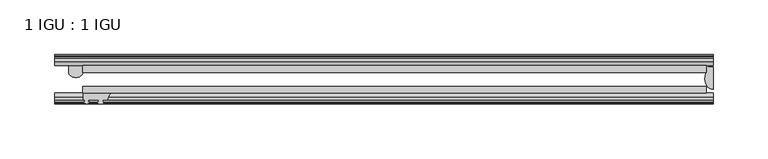
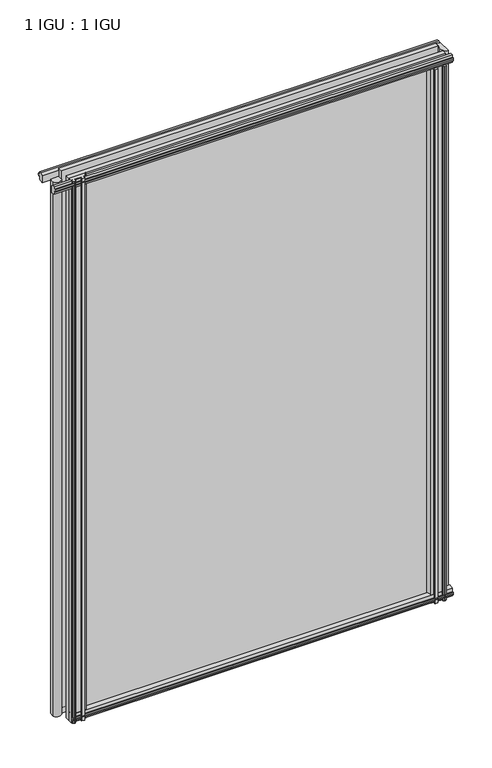
"""IFC4 building model written with IfcOpenShell, lengths in millimetres: plate geometry, 1 IGU : 1 IGU."""

from ifc_helpers import new_model, si_unit, point, frame, frame_2d, origin, place, context, project, spatial, polyline, circle_curve, ellipse_curve, trimmed, segment, composite_curve, outline, extrude, source, transform, mapped, element, save
from ifc_brep_helpers import plane_surface, cylinder_surface, revolved_surface, extruded_surface, advanced_brep


def plate_1_igu_1_igu_cd531bcb(model_context):
    return source(origin(), model_context, "Body", "SolidModel", [
        extrude(outline(polyline([(-253.903576, -38.6468937), (314.3277947, -38.6468937), (314.3277947, -44.9460938), (-253.903576, -44.9460938), (-253.903576, -38.6468937)])), frame((0.0, 0.0, -12.7), z_axis=(0.0, 0.0, 1.0), x_axis=(1.0, 0.0, 0.0)), (0.0, 0.0, 1.0), 863.5872996),
        extrude(outline(polyline([(-253.903576, -19.5460937), (314.3277947, -19.5460937), (314.3277947, -25.8960938), (-253.903576, -25.8960938), (-253.903576, -19.5460937)])), frame((0.0, 0.0, -12.7), z_axis=(0.0, 0.0, 1.0), x_axis=(1.0, 0.0, 0.0)), (0.0, 0.0, 1.0), 863.5872996),
        advanced_brep(
        [(-266.5794104, -19.5460937, 838.1872996), (-266.5794104, -25.8452937, 838.1872996), (-253.8794104, -25.8452937, 838.1872996), (-253.8794104, -19.5460937, 838.1872996), (-266.5794104, -19.5460937, -12.7), (-253.8794104, -19.5460937, -12.7), (-253.8794104, -25.8452937, -12.7), (-266.5794104, -25.8452937, -12.7)],
        [
            (0, 1),
            (1, 2, ellipse_curve(frame((-260.2294104, -25.8452937, 838.1872996), z_axis=(0.0, 0.0, 1.0), x_axis=(1.0, 0.0, 0.0)), 6.35, 4.7800819)),
            (2, 3),
            (3, 0, circle_curve(frame((-260.2294104, 20.9435078, 838.1872996), z_axis=(0.0, 0.0, -1.0), x_axis=(0.0, 1.0, 0.0)), 40.9845134)),
            (4, 5, circle_curve(frame((-260.2294104, 20.9435078, -12.7), z_axis=(0.0, 0.0, 1.0), x_axis=(0.0, 1.0, 0.0)), 40.9845134)),
            (5, 6),
            (6, 7, ellipse_curve(frame((-260.2294104, -25.8452937, -12.7), z_axis=(0.0, 0.0, -1.0), x_axis=(1.0, 0.0, 0.0)), 6.35, 4.7800819)),
            (7, 4),
            (0, 4),
            (7, 1),
            (6, 2),
            (5, 3),
        ],
        [
            plane_surface(frame((-253.2090447, -13.1960937, 838.1872996), z_axis=(0.0, 0.0, 1.0), x_axis=(0.0, 1.0, 0.0))),
            plane_surface(frame((-253.2090447, -13.1960937, -12.7), z_axis=(0.0, 0.0, -1.0), x_axis=(0.0, 1.0, 0.0))),
            plane_surface(frame((-266.5794104, -19.5460937, 838.1872996), z_axis=(-1.0, 0.0, 0.0), x_axis=(0.0, 0.0, -1.0))),
            extruded_surface(trimmed(ellipse_curve(frame((-260.2294104, -25.8452937, -12.7), z_axis=(0.0, 0.0, 1.0), x_axis=(1.0, 0.0, 0.0)), 6.35, 4.7800819), [point((-266.5794104, -25.8452937, -12.7))], [point((-253.8794104, -25.8452937, -12.7))], True, "CARTESIAN"), (0.0, 0.0, 850.8872996), 850.8872996),
            plane_surface(frame((-253.8794104, -25.8452937, 838.1872996), z_axis=(1.0, 0.0, 0.0), x_axis=(0.0, 0.0, -1.0))),
            revolved_surface(polyline([(-260.2294104, 61.928021199999996, -12.700000000000045), (-260.2294104, 61.928021199999996, 838.1872996)]), (-260.2294104, 20.9435078, 838.1872996), (0.0, 0.0, -1.0)),
        ],
        [
            (0, [[1, 2, 3, 4]]),
            (1, [[5, 6, 7, 8]]),
            (2, [[-1, 9, -8, 10]]),
            (3, [[-2, -10, -7, 11]]),
            (4, [[-3, -11, -6, 12]]),
            (5, [[-4, -12, -5, -9]]),
        ],
    ),
        advanced_brep(
        [(320.6777947, -21.1709383, -12.4587), (320.6777947, -41.5384061, -12.4587), (313.1554576, -32.2460938, -12.4587), (314.3277947, -25.8452938, -12.4587), (314.3277947, -19.5460938, -12.4587), (320.6777947, -21.1709383, 850.8872996), (314.3277947, -19.5460938, 850.8872996), (314.3277947, -25.8452938, 850.8872996), (313.1554576, -32.2460938, 850.8872996), (320.6777947, -41.5384061, 850.8872996)],
        [
            (0, 1),
            (1, 2, ellipse_curve(frame((320.6777947, -32.2460938, -12.4587), z_axis=(0.0, 0.0, -1.0), x_axis=(0.0, -1.0, 0.0)), 9.2923124, 7.5223371)),
            (2, 3, circle_curve(frame((331.2153711, -32.2460938, -12.4587), z_axis=(0.0, 0.0, -1.0), x_axis=(1.0, 0.0, 0.0)), 18.0599135)),
            (3, 4),
            (4, 0, circle_curve(frame((320.6777947, -7.950406, -12.4587), z_axis=(0.0, 0.0, 1.0), x_axis=(1.0, 0.0, 0.0)), 13.2205323)),
            (5, 6, circle_curve(frame((320.6777947, -7.950406, 850.8872996), z_axis=(0.0, 0.0, -1.0), x_axis=(1.0, 0.0, 0.0)), 13.2205323)),
            (6, 7),
            (7, 8, circle_curve(frame((331.2153711, -32.2460938, 850.8872996), z_axis=(0.0, 0.0, 1.0), x_axis=(1.0, 0.0, 0.0)), 18.0599135)),
            (8, 9, ellipse_curve(frame((320.6777947, -32.2460938, 850.8872996), z_axis=(0.0, 0.0, 1.0), x_axis=(0.0, -1.0, 0.0)), 9.2923124, 7.5223371)),
            (9, 5),
            (1, 9),
            (8, 2),
            (7, 3),
            (6, 4),
            (5, 0),
        ],
        [
            plane_surface(frame((320.6777947, -13.1960938, -12.4587), z_axis=(0.0, 0.0, -1.0), x_axis=(0.0, 1.0, 0.0))),
            plane_surface(frame((320.6777947, -13.1960938, 850.8872996), z_axis=(0.0, 0.0, 1.0), x_axis=(0.0, 1.0, 0.0))),
            extruded_surface(trimmed(ellipse_curve(frame((320.6777947, -32.2460938, 850.8872996), z_axis=(0.0, 0.0, -1.0), x_axis=(0.0, -1.0, 0.0)), 9.2923124, 7.5223371), [point((320.6777947, -41.5384061, 850.8872996))], [point((313.1554576, -32.2460938, 850.8872996))], True, "CARTESIAN"), (0.0, 0.0, -863.3459996), 863.3459996),
            cylinder_surface(frame((331.2153711, -32.2460938, -12.4587), z_axis=(0.0, 0.0, -1.0), x_axis=(1.0, 0.0, 0.0)), 18.0599135),
            plane_surface(frame((314.3277947, -25.8452938, -12.4587), z_axis=(-1.0, 0.0, 0.0), x_axis=(0.0, 0.0, 1.0))),
            revolved_surface(polyline([(333.898327, -7.950406, 850.8872996), (333.898327, -7.950406, -12.4587)]), (320.6777947, -7.950406, -12.4587), (0.0, 0.0, 1.0)),
            plane_surface(frame((320.6777947, -21.1709383, -12.4587), z_axis=(1.0, 0.0, 0.0), x_axis=(0.0, 0.0, 1.0))),
        ],
        [
            (0, [[1, 2, 3, 4, 5]]),
            (1, [[6, 7, 8, 9, 10]]),
            (2, [[-2, 11, -9, 12]]),
            (3, [[-3, -12, -8, 13]]),
            (4, [[-4, -13, -7, 14]]),
            (5, [[-5, -14, -6, 15]]),
            (6, [[-1, -15, -10, -11]]),
        ],
    ),
        extrude(outline(polyline([(-44.9460937, 1.7177181), (-44.9460937, -9.1036578), (-48.3496937, -11.938), (-51.2960937, -11.938), (-51.2960937, -7.493), (-53.6762907, -7.112), (-53.2163575, -8.5275291), (-54.0175717, -8.5275291), (-54.7250937, -6.35), (-54.0175717, -4.1724709), (-53.2163575, -4.1724709), (-53.6762907, -5.588), (-51.2960937, -5.207), (-51.2960937, 0.0), (-44.9460937, 1.7177181)])), frame((-253.2090447, 0.0, 0.0), z_axis=(1.0, 0.0, 0.0), x_axis=(0.0, 1.0, 0.0)), (0.0, 0.0, 1.0), 573.8868395),
        extrude(outline(polyline([(-13.1960937, -12.4587), (-16.1424937, -12.4587), (-19.5460937, -9.6243578), (-19.5460937, 1.1970181), (-13.1960937, -0.5207), (-13.1960937, -5.7277), (-10.8158968, -6.1087), (-11.27583, -4.6931709), (-10.4746158, -4.6931709), (-9.7670937, -6.8707), (-10.4746158, -9.0482291), (-11.27583, -9.0482291), (-10.8158968, -7.6327), (-13.1960937, -8.0137), (-13.1960937, -12.4587)])), frame((-253.2090447, 0.0, 0.0), z_axis=(1.0, 0.0, 0.0), x_axis=(0.0, 1.0, 0.0)), (0.0, 0.0, 1.0), 573.8868395),
        extrude(outline(polyline([(-51.2960937, 850.1252996), (-48.3496937, 850.1252996), (-44.9460937, 847.2909574), (-44.9460937, 836.4695815), (-51.2960937, 838.1872996), (-51.2960937, 843.3942996), (-53.6762907, 843.7752996), (-53.2163575, 842.3597706), (-54.0175717, 842.3597706), (-54.7250937, 844.5372996), (-54.0175717, 846.7148287), (-53.2163575, 846.7148287), (-53.6762907, 845.2992996), (-51.2960937, 845.6802996), (-51.2960937, 850.1252996)])), frame((-279.303576, 0.0, 0.0), z_axis=(1.0, 0.0, 0.0), x_axis=(0.0, 1.0, 0.0)), (0.0, 0.0, 1.0), 599.9813707),
        extrude(outline(polyline([(-19.5460937, 836.9902815), (-19.5460937, 847.8116574), (-16.1424937, 850.6459996), (-13.1960937, 850.6459996), (-13.1960937, 846.2009996), (-10.8158968, 845.8199996), (-11.27583, 847.2355287), (-10.4746158, 847.2355287), (-9.7670937, 845.0579996), (-10.4746158, 842.8804706), (-11.27583, 842.8804706), (-10.8158968, 844.2959996), (-13.1960937, 843.9149996), (-13.1960937, 838.7079996), (-19.5460937, 836.9902815)])), frame((-279.303576, 0.0, 0.0), z_axis=(1.0, 0.0, 0.0), x_axis=(0.0, 1.0, 0.0)), (0.0, 0.0, 1.0), 599.9813707),
        extrude(outline(composite_curve([segment(polyline([(311.1527949, -44.9460938), (311.1527949, -51.2960938), (309.5017949, -51.2960938), (309.5017949, -52.9470938), (310.5794256, -52.9470938)]), True, "CONTINUOUS"), segment(trimmed(circle_curve(frame_2d((309.5017949, -52.9470938)), 1.0776307), [point((310.5794256, -52.9470938))], [point((310.2637949, -53.7090938))], False, "CARTESIAN"), True, "CONTINUOUS"), segment(polyline([(310.2637949, -53.7090938), (308.5245025, -54.8194621)]), True, "CONTINUOUS"), segment(trimmed(circle_curve(frame_2d((307.9777949, -53.9630938)), 1.016), [point((308.5245025, -54.8194621))], [point((307.4310873, -54.8194621))], False, "CARTESIAN"), True, "CONTINUOUS"), segment(polyline([(307.4310873, -54.8194621), (305.6917949, -53.7090938)]), True, "CONTINUOUS"), segment(trimmed(circle_curve(frame_2d((306.4537949, -52.9470938)), 1.0776307), [point((305.6917949, -53.7090938))], [point((305.3761641, -52.9470938))], False, "CARTESIAN"), True, "CONTINUOUS"), segment(polyline([(305.3761641, -52.9470938), (306.4537949, -52.9470938), (306.4537949, -51.2960938), (297.3859949, -51.2960938)]), True, "CONTINUOUS"), segment(trimmed(circle_curve(frame_2d((297.3859949, -51.7532938)), 0.4572), [point((297.3859949, -51.2960938))], [point((297.047177, -52.0602698))], True, "CARTESIAN"), True, "CONTINUOUS"), segment(trimmed(circle_curve(frame_2d((295.2777949, -53.663367)), 2.3876), [point((297.047177, -52.0602698))], [point((297.3484379, -54.8520938))], False, "CARTESIAN"), True, "CONTINUOUS"), segment(polyline([(297.3484379, -54.8520938), (293.2071519, -54.8520938)]), True, "CONTINUOUS"), segment(trimmed(circle_curve(frame_2d((295.2777949, -53.663367)), 2.3876), [point((293.2071519, -54.8520938))], [point((293.5084127, -52.0602698))], False, "CARTESIAN"), True, "CONTINUOUS"), segment(trimmed(circle_curve(frame_2d((293.1695949, -51.7532938)), 0.4572), [point((293.5084127, -52.0602698))], [point((293.1695949, -51.2960938))], True, "CARTESIAN"), True, "CONTINUOUS"), segment(polyline([(293.1695949, -51.2960938), (288.9277949, -51.2960938)]), True, "CONTINUOUS"), segment(trimmed(circle_curve(frame_2d((279.9118634, -51.9750196)), 9.0414579), [point((288.9277949, -51.2960938))], [point((285.5988804, -44.9460938))], True, "CARTESIAN"), True, "CONTINUOUS"), segment(polyline([(285.5988804, -44.9460938), (311.1527949, -44.9460938)]), True, "CONTINUOUS")], self_intersect=False)), frame((0.0, 0.0, -12.7), z_axis=(0.0, 0.0, 1.0), x_axis=(1.0, 0.0, 0.0)), (0.0, 0.0, 1.0), 850.8872996),
        extrude(outline(composite_curve([segment(trimmed(circle_curve(frame_2d((-222.2657697, -51.9750196)), 9.0414579), [point((-227.9527866, -44.9460938))], [point((-231.2817011, -51.2960938))], True, "CARTESIAN"), True, "CONTINUOUS"), segment(polyline([(-231.2817011, -51.2960938), (-235.5235011, -51.2960938)]), True, "CONTINUOUS"), segment(trimmed(circle_curve(frame_2d((-235.5235011, -51.7532938)), 0.4572), [point((-235.5235011, -51.2960938))], [point((-235.862319, -52.0602698))], True, "CARTESIAN"), True, "CONTINUOUS"), segment(trimmed(circle_curve(frame_2d((-237.6317011, -53.663367)), 2.3876), [point((-235.862319, -52.0602698))], [point((-235.5610581, -54.8520938))], False, "CARTESIAN"), True, "CONTINUOUS"), segment(polyline([(-235.5610581, -54.8520938), (-239.7023441, -54.8520938)]), True, "CONTINUOUS"), segment(trimmed(circle_curve(frame_2d((-237.6317011, -53.663367)), 2.3876), [point((-239.7023441, -54.8520938))], [point((-239.4010833, -52.0602698))], False, "CARTESIAN"), True, "CONTINUOUS"), segment(trimmed(circle_curve(frame_2d((-239.7399011, -51.7532938)), 0.4572), [point((-239.4010833, -52.0602698))], [point((-239.7399011, -51.2960938))], True, "CARTESIAN"), True, "CONTINUOUS"), segment(polyline([(-239.7399011, -51.2960938), (-248.8077011, -51.2960938), (-248.8077011, -52.9470938), (-247.7300704, -52.9470938)]), True, "CONTINUOUS"), segment(trimmed(circle_curve(frame_2d((-248.8077011, -52.9470938)), 1.0776307), [point((-247.7300704, -52.9470938))], [point((-248.0457011, -53.7090938))], False, "CARTESIAN"), True, "CONTINUOUS"), segment(polyline([(-248.0457011, -53.7090938), (-249.7849935, -54.8194621)]), True, "CONTINUOUS"), segment(trimmed(circle_curve(frame_2d((-250.3317011, -53.9630938)), 1.016), [point((-249.7849935, -54.8194621))], [point((-250.8784087, -54.8194621))], False, "CARTESIAN"), True, "CONTINUOUS"), segment(polyline([(-250.8784087, -54.8194621), (-252.6177011, -53.7090938)]), True, "CONTINUOUS"), segment(trimmed(circle_curve(frame_2d((-251.8557011, -52.9470938)), 1.0776307), [point((-252.6177011, -53.7090938))], [point((-252.9333319, -52.9470938))], False, "CARTESIAN"), True, "CONTINUOUS"), segment(polyline([(-252.9333319, -52.9470938), (-251.8557011, -52.9470938), (-251.8557011, -51.2960938), (-253.5067011, -51.2960938), (-253.5067011, -44.9460938), (-227.9527866, -44.9460938)]), True, "CONTINUOUS")], self_intersect=False)), frame((0.0, 0.0, -12.7), z_axis=(0.0, 0.0, 1.0), x_axis=(1.0, 0.0, 0.0)), (0.0, 0.0, 1.0), 863.5872998),
    ])


if __name__ == "__main__":
    model = new_model("IFC4")
    model_context = context("Model", 3, world=origin())
    ifc_project = project(units=[si_unit("LENGTHUNIT", "METRE", prefix="MILLI")], contexts=[model_context])
    site = spatial("IfcSite", under=ifc_project)
    building = spatial("IfcBuilding", under=site)
    placement = place(None, origin())
    plate_1_igu_1_igu_shape = plate_1_igu_1_igu_cd531bcb(model_context)
    element("IfcPlate", 1, ObjectType="1 IGU : 1 IGU", at=placement, inside=building, context=model_context, shape_type="MappedRepresentation", body=[
        mapped(plate_1_igu_1_igu_shape, transform((0.0, 0.0, 0.0), x_axis=(1.0, 0.0, 0.0), y_axis=(0.0, 1.0, 0.0), z_axis=(0.0, 0.0, 1.0))),
    ])
    save(model, "model.ifc")
